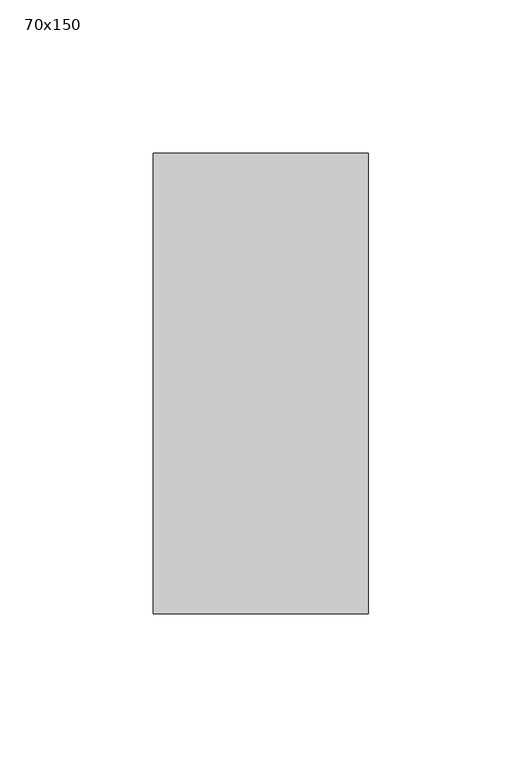
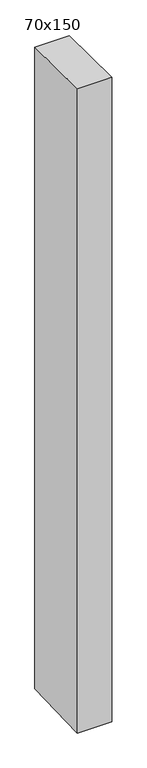
"""IFC4 building model written with IfcOpenShell, lengths in millimetres: member geometry, 70x150."""

import ifcopenshell
import ifcopenshell.guid

model = None  # the IFC model being written
_history = None  # IfcOwnerHistory: only IFC2X3 demands one
_inside = {}  # id of a spatial element -> (the spatial element, [elements in it])
_under = {}  # id of a project, library or spatial element -> (it, [spatial elements below it])
_declared = {}  # id of a project -> (the project, [libraries it declares])
_typed = {}  # id of a type object -> (the type object, [elements of that type])
_made_of = {}  # id of a material, layer set ... -> (it, [elements and type objects made of it])


def new_model(schema):
    """Start an empty IFC model of exactly this schema.

    Asked for "IFC4X3", IfcOpenShell would pick the latest addendum, in which some entities
    have other attributes; the version numbers below select the first issue.
    IFC2X3 requires an IfcOwnerHistory on every rooted entity: one is made here for all.
    """
    global model, _history
    if schema == "IFC4X3":
        model = ifcopenshell.file(schema_version=(4, 3, 0, 0))
    else:
        model = ifcopenshell.file(schema=schema)
    _inside.clear()
    _under.clear()
    _declared.clear()
    _typed.clear()
    _made_of.clear()
    _history = None
    if model.schema == "IFC2X3":
        org = make("IfcOrganization", Name="unknown")
        user = make(
            "IfcPersonAndOrganization",
            ThePerson=make("IfcPerson", FamilyName="unknown"),
            TheOrganization=org,
        )
        app = make(
            "IfcApplication",
            ApplicationDeveloper=org,
            Version="unknown",
            ApplicationFullName="unknown",
            ApplicationIdentifier="unknown",
        )
        _history = make(
            "IfcOwnerHistory",
            OwningUser=user,
            OwningApplication=app,
            ChangeAction="ADDED",
            CreationDate=0,
        )
    return model


def make(cls, **values):
    """One entity of the class cls with the attributes given. An attribute that is None is left unset."""
    return model.create_entity(
        cls, **{name: value for name, value in values.items() if value is not None}
    )


def rooted(cls, **values):
    """An entity with a GlobalId (a new one), such as an element, a storey or a relation."""
    return make(cls, GlobalId=ifcopenshell.guid.new(), OwnerHistory=_history, **values)


def si_unit(unit_type, name, prefix=None):
    """IfcSIUnit, for example si_unit("LENGTHUNIT", "METRE", prefix="MILLI")."""
    return make("IfcSIUnit", UnitType=unit_type, Prefix=prefix, Name=name)


def assignment(units):
    """IfcUnitAssignment: the units of a project."""
    return None if units is None else make("IfcUnitAssignment", Units=units)


def point(xyz):
    """IfcCartesianPoint."""
    return None if xyz is None else make("IfcCartesianPoint", Coordinates=xyz)


def direction(xyz):
    """IfcDirection."""
    return None if xyz is None else make("IfcDirection", DirectionRatios=xyz)


def frame(location, z_axis=None, x_axis=None):
    """IfcAxis2Placement3D, a coordinate frame: its origin and axes. An axis left out is left unset."""
    return make(
        "IfcAxis2Placement3D",
        Location=point(location),
        Axis=direction(z_axis),
        RefDirection=direction(x_axis),
    )


def origin():
    """The frame at (0, 0, 0) with its axes left unset."""
    return frame((0.0, 0.0, 0.0))


def place(relative_to, where):
    """IfcLocalPlacement: puts the frame where relative to a parent placement (None: the world)."""
    return make(
        "IfcLocalPlacement", PlacementRelTo=relative_to, RelativePlacement=where
    )


def context(
    kind, dimensions, precision=None, world=None, true_north=None, identifier=None
):
    """IfcGeometricRepresentationContext, for example the 3D "Model" context."""
    return make(
        "IfcGeometricRepresentationContext",
        ContextIdentifier=identifier,
        ContextType=kind,
        CoordinateSpaceDimension=dimensions,
        Precision=precision,
        WorldCoordinateSystem=world,
        TrueNorth=true_north,
    )


def project(units=None, contexts=None):
    """IfcProject with its units and contexts."""
    return rooted(
        "IfcProject",
        Name="project",
        RepresentationContexts=contexts,
        UnitsInContext=assignment(units),
    )


def spatial(cls, under=None, at=None, **own):
    """A site, building, storey or space (cls), placed at a placement, below another one or the project."""
    s = rooted(cls, ObjectPlacement=at, **own)
    if under is not None:
        _under.setdefault(under.id(), (under, []))[1].append(s)
    return s


def polyline(points):
    """IfcPolyline through the points."""
    return make("IfcPolyline", Points=[point(p) for p in points])


def outline(outer, holes=None, kind="AREA"):
    """IfcArbitraryClosedProfileDef: a profile drawn as a closed curve; with holes, ...WithVoids."""
    if holes is None:
        return make("IfcArbitraryClosedProfileDef", ProfileType=kind, OuterCurve=outer)
    return make(
        "IfcArbitraryProfileDefWithVoids",
        ProfileType=kind,
        OuterCurve=outer,
        InnerCurves=holes,
    )


def extrude(swept, where, along, depth):
    """IfcExtrudedAreaSolid: the profile swept, set in the frame where, extruded along a direction by depth."""
    return make(
        "IfcExtrudedAreaSolid",
        SweptArea=swept,
        Position=where,
        ExtrudedDirection=direction(along),
        Depth=depth,
    )


def shape(context_of_items, identifier, shape_type, items):
    """IfcShapeRepresentation: the items that make up one representation, for example the "Body"."""
    return make(
        "IfcShapeRepresentation",
        ContextOfItems=context_of_items,
        RepresentationIdentifier=identifier,
        RepresentationType=shape_type,
        Items=items,
    )


def source(mapping_origin, context_of_items, identifier, shape_type, items):
    """IfcRepresentationMap: a shape defined once, which mapped items show again and again."""
    return make(
        "IfcRepresentationMap",
        MappingOrigin=mapping_origin,
        MappedRepresentation=shape(context_of_items, identifier, shape_type, items),
    )


def transform(
    local_origin,
    x_axis=None,
    y_axis=None,
    z_axis=None,
    scale=None,
    scale2=None,
    scale3=None,
    uniform=True,
):
    """IfcCartesianTransformationOperator3D, or its non-uniform kind. x_axis, y_axis, z_axis: its Axis1, 2, 3."""
    if uniform:
        return make(
            "IfcCartesianTransformationOperator3D",
            Axis1=direction(x_axis),
            Axis2=direction(y_axis),
            LocalOrigin=point(local_origin),
            Scale=scale,
            Axis3=direction(z_axis),
        )
    return make(
        "IfcCartesianTransformationOperator3DnonUniform",
        Axis1=direction(x_axis),
        Axis2=direction(y_axis),
        LocalOrigin=point(local_origin),
        Scale=scale,
        Axis3=direction(z_axis),
        Scale2=scale2,
        Scale3=scale3,
    )


def mapped(mapping_source, mapping_target):
    """IfcMappedItem: shows the shape of a source again, moved by a transform."""
    return make(
        "IfcMappedItem", MappingSource=mapping_source, MappingTarget=mapping_target
    )


def made_of(thing, what):
    """Note that an element or type object is made of a material, layer set ...; save() writes the relation."""
    if what is not None:
        _made_of.setdefault(what.id(), (what, []))[1].append(thing)
    return thing


def element(
    cls,
    number,
    at=None,
    inside=None,
    cuts=None,
    type_object=None,
    material=None,
    context=None,
    identifier="Body",
    shape_type=None,
    held_by="IfcProductDefinitionShape",
    body=None,
    shapes=None,
    **own,
):
    """One element of the class cls, such as IfcWall. Its Tag is "e" and its number.

    at: its placement. inside: the storey or other place that contains it. cuts: it is an
    opening in that element (IfcRelVoidsElement). A single representation is given by context,
    identifier, shape_type and body (its items); several are given by shapes. held_by: the class
    of the entity that holds the representations. save() writes the other relations.
    """
    e = rooted(cls, Tag="e%d" % number, ObjectPlacement=at, **own)
    if body is not None:
        shapes = [shape(context, identifier, shape_type, body)]
    if shapes is not None:
        e.Representation = make(held_by, Representations=shapes)
    if inside is not None:
        _inside.setdefault(inside.id(), (inside, []))[1].append(e)
    if cuts is not None:
        rooted(
            "IfcRelVoidsElement", RelatingBuildingElement=cuts, RelatedOpeningElement=e
        )
    if type_object is not None:
        _typed.setdefault(type_object.id(), (type_object, []))[1].append(e)
    return made_of(e, material)


def aggregate(whole, parts):
    """IfcRelAggregates: a whole, such as a stair, and the parts it consists of."""
    return rooted("IfcRelAggregates", RelatingObject=whole, RelatedObjects=parts)


def save(model, path):
    """Write the relations noted so far, then the file.

    IfcRelAggregates (storeys below a building ...), IfcRelContainedInSpatialStructure (elements
    in a storey), IfcRelDefinesByType, IfcRelAssociatesMaterial and IfcRelDeclares: one each for
    every whole, place, type object, material and project.
    """
    for whole, parts in _under.values():
        aggregate(whole, parts)
    for where, things in _inside.values():
        rooted(
            "IfcRelContainedInSpatialStructure",
            RelatedElements=things,
            RelatingStructure=where,
        )
    for kind, things in _typed.values():
        rooted("IfcRelDefinesByType", RelatedObjects=things, RelatingType=kind)
    for what, things in _made_of.values():
        rooted("IfcRelAssociatesMaterial", RelatedObjects=things, RelatingMaterial=what)
    for by, libraries in _declared.values():
        rooted("IfcRelDeclares", RelatingContext=by, RelatedDefinitions=libraries)
    model.write(path)


def member_70x150_32e9e373(model_context):
    return source(origin(), model_context, "Body", "SweptSolid", [
        extrude(outline(polyline([(-75.0, 0.977983), (75.0, -0.977983), (75.0, -1383.2914966), (-75.0, -1387.8351951), (-75.0, 0.977983)])), frame((-70.0, 0.0, 0.0), z_axis=(1.0, 0.0, 0.0), x_axis=(0.0, 1.0, 0.0)), (0.0, 0.0, 1.0), 70.0),
    ])


if __name__ == "__main__":
    model = new_model("IFC4")
    model_context = context("Model", 3, world=origin())
    ifc_project = project(units=[si_unit("LENGTHUNIT", "METRE", prefix="MILLI")], contexts=[model_context])
    site = spatial("IfcSite", under=ifc_project)
    building = spatial("IfcBuilding", under=site)
    placement = place(None, origin())
    member_70x150_shape = member_70x150_32e9e373(model_context)
    element("IfcMember", 1, ObjectType="70x150", at=placement, inside=building, context=model_context, shape_type="MappedRepresentation", body=[
        mapped(member_70x150_shape, transform((0.0, 0.0, 0.0), x_axis=(1.0, 0.0, 0.0), y_axis=(0.0, 1.0, 0.0), z_axis=(0.0, 0.0, 1.0))),
    ])
    save(model, "model.ifc")
